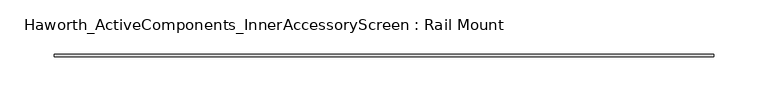
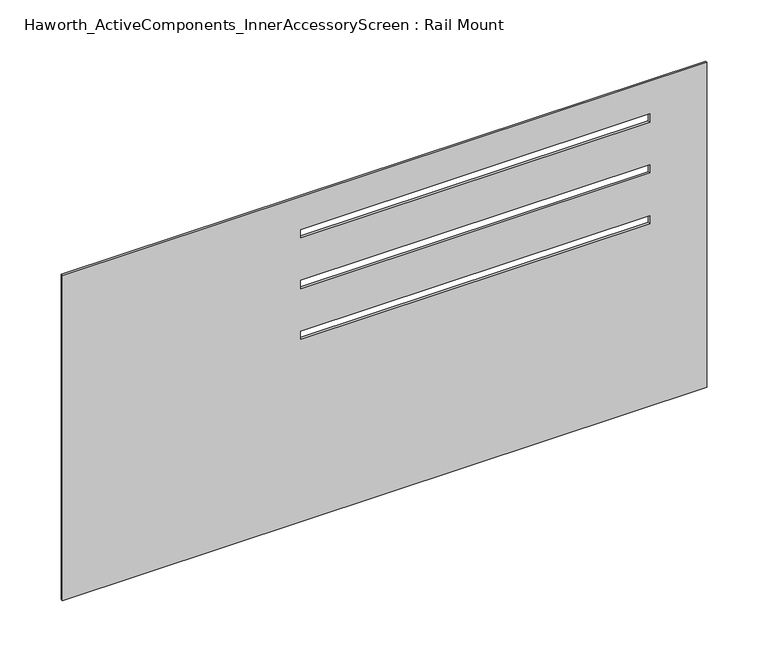
"""IFC4 building model written with IfcOpenShell, lengths in millimetres: furniture geometry, Haworth_ActiveComponents_InnerAccessoryScreen : Rail Mount."""

from ifc_helpers import new_model, si_unit, frame, origin, place, context, project, spatial, polyline, outline, extrude, source, transform, mapped, element, save


def haworth_activecomponents_inneraccessoryscreen_rail_mount_91343057(model_context):
    return source(origin(), model_context, "Body", "SweptSolid", [
        extrude(outline(polyline([(1061.3898409, -173.0375), (736.6, -173.0375), (736.6, 436.5625), (1061.3898409, 436.5625), (1061.3898409, -173.0375)]), holes=[polyline([(1028.8270029, 382.5875061), (1020.5719835, 382.5875061), (1020.5719835, 52.387503), (1028.8270029, 52.387503), (1028.8270029, 382.5875061)]), polyline([(918.9720078, 52.387503), (927.2270271, 52.387503), (927.2270271, 382.5875061), (918.9720078, 382.5875061), (918.9720078, 52.387503)]), polyline([(978.0270514, 382.5875061), (969.772032, 382.5875061), (969.772032, 52.387503), (978.0270514, 52.387503), (978.0270514, 382.5875061)])]), frame((0.0, 168.5465234, 0.0), z_axis=(0.0, 1.0, 0.0), x_axis=(0.0, 0.0, 1.0)), (0.0, 0.0, 1.0), 2.38125),
    ])


if __name__ == "__main__":
    model = new_model("IFC4")
    model_context = context("Model", 3, world=origin())
    ifc_project = project(units=[si_unit("LENGTHUNIT", "METRE", prefix="MILLI")], contexts=[model_context])
    site = spatial("IfcSite", under=ifc_project)
    building = spatial("IfcBuilding", under=site)
    placement = place(None, origin())
    haworth_activecomponents_inneraccessoryscreen_rail_mount_shape = haworth_activecomponents_inneraccessoryscreen_rail_mount_91343057(model_context)
    element("IfcFurniture", 1, ObjectType="Haworth_ActiveComponents_InnerAccessoryScreen : Rail Mount", at=placement, inside=building, context=model_context, shape_type="MappedRepresentation", body=[
        mapped(haworth_activecomponents_inneraccessoryscreen_rail_mount_shape, transform((0.0, 0.0, 0.0), x_axis=(1.0, 0.0, 0.0), y_axis=(0.0, 1.0, 0.0), z_axis=(0.0, 0.0, 1.0))),
    ])
    save(model, "model.ifc")
